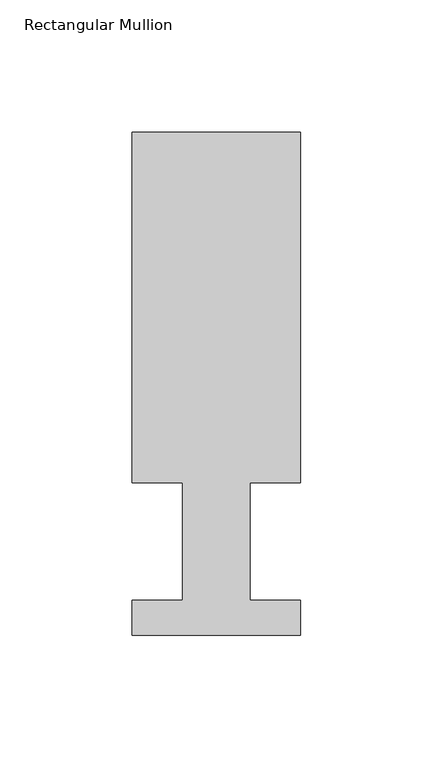
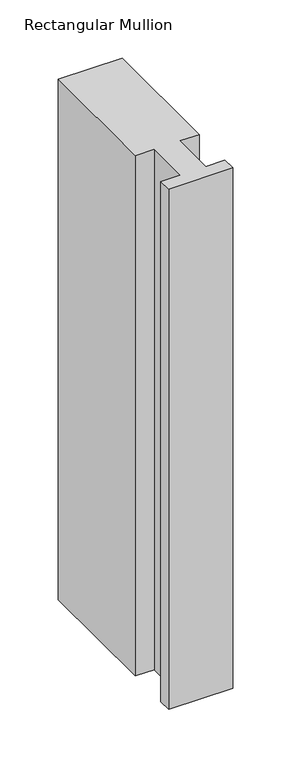
"""IFC4 building model written with IfcOpenShell, lengths in millimetres: member geometry, Rectangular Mullion."""

import ifcopenshell
import ifcopenshell.guid

model = None  # the IFC model being written
_history = None  # IfcOwnerHistory: only IFC2X3 demands one
_inside = {}  # id of a spatial element -> (the spatial element, [elements in it])
_under = {}  # id of a project, library or spatial element -> (it, [spatial elements below it])
_declared = {}  # id of a project -> (the project, [libraries it declares])
_typed = {}  # id of a type object -> (the type object, [elements of that type])
_made_of = {}  # id of a material, layer set ... -> (it, [elements and type objects made of it])


def new_model(schema):
    """Start an empty IFC model of exactly this schema.

    Asked for "IFC4X3", IfcOpenShell would pick the latest addendum, in which some entities
    have other attributes; the version numbers below select the first issue.
    IFC2X3 requires an IfcOwnerHistory on every rooted entity: one is made here for all.
    """
    global model, _history
    if schema == "IFC4X3":
        model = ifcopenshell.file(schema_version=(4, 3, 0, 0))
    else:
        model = ifcopenshell.file(schema=schema)
    _inside.clear()
    _under.clear()
    _declared.clear()
    _typed.clear()
    _made_of.clear()
    _history = None
    if model.schema == "IFC2X3":
        org = make("IfcOrganization", Name="unknown")
        user = make(
            "IfcPersonAndOrganization",
            ThePerson=make("IfcPerson", FamilyName="unknown"),
            TheOrganization=org,
        )
        app = make(
            "IfcApplication",
            ApplicationDeveloper=org,
            Version="unknown",
            ApplicationFullName="unknown",
            ApplicationIdentifier="unknown",
        )
        _history = make(
            "IfcOwnerHistory",
            OwningUser=user,
            OwningApplication=app,
            ChangeAction="ADDED",
            CreationDate=0,
        )
    return model


def make(cls, **values):
    """One entity of the class cls with the attributes given. An attribute that is None is left unset."""
    return model.create_entity(
        cls, **{name: value for name, value in values.items() if value is not None}
    )


def rooted(cls, **values):
    """An entity with a GlobalId (a new one), such as an element, a storey or a relation."""
    return make(cls, GlobalId=ifcopenshell.guid.new(), OwnerHistory=_history, **values)


def si_unit(unit_type, name, prefix=None):
    """IfcSIUnit, for example si_unit("LENGTHUNIT", "METRE", prefix="MILLI")."""
    return make("IfcSIUnit", UnitType=unit_type, Prefix=prefix, Name=name)


def assignment(units):
    """IfcUnitAssignment: the units of a project."""
    return None if units is None else make("IfcUnitAssignment", Units=units)


def point(xyz):
    """IfcCartesianPoint."""
    return None if xyz is None else make("IfcCartesianPoint", Coordinates=xyz)


def direction(xyz):
    """IfcDirection."""
    return None if xyz is None else make("IfcDirection", DirectionRatios=xyz)


def frame(location, z_axis=None, x_axis=None):
    """IfcAxis2Placement3D, a coordinate frame: its origin and axes. An axis left out is left unset."""
    return make(
        "IfcAxis2Placement3D",
        Location=point(location),
        Axis=direction(z_axis),
        RefDirection=direction(x_axis),
    )


def origin():
    """The frame at (0, 0, 0) with its axes left unset."""
    return frame((0.0, 0.0, 0.0))


def place(relative_to, where):
    """IfcLocalPlacement: puts the frame where relative to a parent placement (None: the world)."""
    return make(
        "IfcLocalPlacement", PlacementRelTo=relative_to, RelativePlacement=where
    )


def context(
    kind, dimensions, precision=None, world=None, true_north=None, identifier=None
):
    """IfcGeometricRepresentationContext, for example the 3D "Model" context."""
    return make(
        "IfcGeometricRepresentationContext",
        ContextIdentifier=identifier,
        ContextType=kind,
        CoordinateSpaceDimension=dimensions,
        Precision=precision,
        WorldCoordinateSystem=world,
        TrueNorth=true_north,
    )


def project(units=None, contexts=None):
    """IfcProject with its units and contexts."""
    return rooted(
        "IfcProject",
        Name="project",
        RepresentationContexts=contexts,
        UnitsInContext=assignment(units),
    )


def spatial(cls, under=None, at=None, **own):
    """A site, building, storey or space (cls), placed at a placement, below another one or the project."""
    s = rooted(cls, ObjectPlacement=at, **own)
    if under is not None:
        _under.setdefault(under.id(), (under, []))[1].append(s)
    return s


def polyline(points):
    """IfcPolyline through the points."""
    return make("IfcPolyline", Points=[point(p) for p in points])


def outline(outer, holes=None, kind="AREA"):
    """IfcArbitraryClosedProfileDef: a profile drawn as a closed curve; with holes, ...WithVoids."""
    if holes is None:
        return make("IfcArbitraryClosedProfileDef", ProfileType=kind, OuterCurve=outer)
    return make(
        "IfcArbitraryProfileDefWithVoids",
        ProfileType=kind,
        OuterCurve=outer,
        InnerCurves=holes,
    )


def extrude(swept, where, along, depth):
    """IfcExtrudedAreaSolid: the profile swept, set in the frame where, extruded along a direction by depth."""
    return make(
        "IfcExtrudedAreaSolid",
        SweptArea=swept,
        Position=where,
        ExtrudedDirection=direction(along),
        Depth=depth,
    )


def shape(context_of_items, identifier, shape_type, items):
    """IfcShapeRepresentation: the items that make up one representation, for example the "Body"."""
    return make(
        "IfcShapeRepresentation",
        ContextOfItems=context_of_items,
        RepresentationIdentifier=identifier,
        RepresentationType=shape_type,
        Items=items,
    )


def source(mapping_origin, context_of_items, identifier, shape_type, items):
    """IfcRepresentationMap: a shape defined once, which mapped items show again and again."""
    return make(
        "IfcRepresentationMap",
        MappingOrigin=mapping_origin,
        MappedRepresentation=shape(context_of_items, identifier, shape_type, items),
    )


def transform(
    local_origin,
    x_axis=None,
    y_axis=None,
    z_axis=None,
    scale=None,
    scale2=None,
    scale3=None,
    uniform=True,
):
    """IfcCartesianTransformationOperator3D, or its non-uniform kind. x_axis, y_axis, z_axis: its Axis1, 2, 3."""
    if uniform:
        return make(
            "IfcCartesianTransformationOperator3D",
            Axis1=direction(x_axis),
            Axis2=direction(y_axis),
            LocalOrigin=point(local_origin),
            Scale=scale,
            Axis3=direction(z_axis),
        )
    return make(
        "IfcCartesianTransformationOperator3DnonUniform",
        Axis1=direction(x_axis),
        Axis2=direction(y_axis),
        LocalOrigin=point(local_origin),
        Scale=scale,
        Axis3=direction(z_axis),
        Scale2=scale2,
        Scale3=scale3,
    )


def mapped(mapping_source, mapping_target):
    """IfcMappedItem: shows the shape of a source again, moved by a transform."""
    return make(
        "IfcMappedItem", MappingSource=mapping_source, MappingTarget=mapping_target
    )


def made_of(thing, what):
    """Note that an element or type object is made of a material, layer set ...; save() writes the relation."""
    if what is not None:
        _made_of.setdefault(what.id(), (what, []))[1].append(thing)
    return thing


def element(
    cls,
    number,
    at=None,
    inside=None,
    cuts=None,
    type_object=None,
    material=None,
    context=None,
    identifier="Body",
    shape_type=None,
    held_by="IfcProductDefinitionShape",
    body=None,
    shapes=None,
    **own,
):
    """One element of the class cls, such as IfcWall. Its Tag is "e" and its number.

    at: its placement. inside: the storey or other place that contains it. cuts: it is an
    opening in that element (IfcRelVoidsElement). A single representation is given by context,
    identifier, shape_type and body (its items); several are given by shapes. held_by: the class
    of the entity that holds the representations. save() writes the other relations.
    """
    e = rooted(cls, Tag="e%d" % number, ObjectPlacement=at, **own)
    if body is not None:
        shapes = [shape(context, identifier, shape_type, body)]
    if shapes is not None:
        e.Representation = make(held_by, Representations=shapes)
    if inside is not None:
        _inside.setdefault(inside.id(), (inside, []))[1].append(e)
    if cuts is not None:
        rooted(
            "IfcRelVoidsElement", RelatingBuildingElement=cuts, RelatedOpeningElement=e
        )
    if type_object is not None:
        _typed.setdefault(type_object.id(), (type_object, []))[1].append(e)
    return made_of(e, material)


def aggregate(whole, parts):
    """IfcRelAggregates: a whole, such as a stair, and the parts it consists of."""
    return rooted("IfcRelAggregates", RelatingObject=whole, RelatedObjects=parts)


def save(model, path):
    """Write the relations noted so far, then the file.

    IfcRelAggregates (storeys below a building ...), IfcRelContainedInSpatialStructure (elements
    in a storey), IfcRelDefinesByType, IfcRelAssociatesMaterial and IfcRelDeclares: one each for
    every whole, place, type object, material and project.
    """
    for whole, parts in _under.values():
        aggregate(whole, parts)
    for where, things in _inside.values():
        rooted(
            "IfcRelContainedInSpatialStructure",
            RelatedElements=things,
            RelatingStructure=where,
        )
    for kind, things in _typed.values():
        rooted("IfcRelDefinesByType", RelatedObjects=things, RelatingType=kind)
    for what, things in _made_of.values():
        rooted("IfcRelAssociatesMaterial", RelatedObjects=things, RelatingMaterial=what)
    for by, libraries in _declared.values():
        rooted("IfcRelDeclares", RelatingContext=by, RelatedDefinitions=libraries)
    model.write(path)


def rectangular_mullion_acbc47d0(model_context):
    return source(origin(), model_context, "Body", "SweptSolid", [
        extrude(outline(polyline([(-63.5, 189.8022937), (0.0, 189.8022937), (0.0, 57.6460937), (-19.0373, 57.6460937), (-19.0373, 13.1960937), (0.0, 13.1960937), (0.0, 0.0134937), (-63.5, 0.0134937), (-63.5, 13.1960937), (-44.45, 13.1960937), (-44.45, 57.6460937), (-63.5, 57.6460937), (-63.5, 189.8022937)])), frame((0.0, 0.0, -546.1), z_axis=(0.0, 0.0, 1.0), x_axis=(1.0, 0.0, 0.0)), (0.0, 0.0, 1.0), 546.1),
    ])


if __name__ == "__main__":
    model = new_model("IFC4")
    model_context = context("Model", 3, world=origin())
    ifc_project = project(units=[si_unit("LENGTHUNIT", "METRE", prefix="MILLI")], contexts=[model_context])
    site = spatial("IfcSite", under=ifc_project)
    building = spatial("IfcBuilding", under=site)
    placement = place(None, origin())
    rectangular_mullion_shape = rectangular_mullion_acbc47d0(model_context)
    element("IfcMember", 1, ObjectType="Rectangular Mullion", at=placement, inside=building, context=model_context, shape_type="MappedRepresentation", body=[
        mapped(rectangular_mullion_shape, transform((0.0, 0.0, 0.0), x_axis=(1.0, 0.0, 0.0), y_axis=(0.0, 1.0, 0.0), z_axis=(0.0, 0.0, 1.0))),
    ])
    save(model, "model.ifc")
